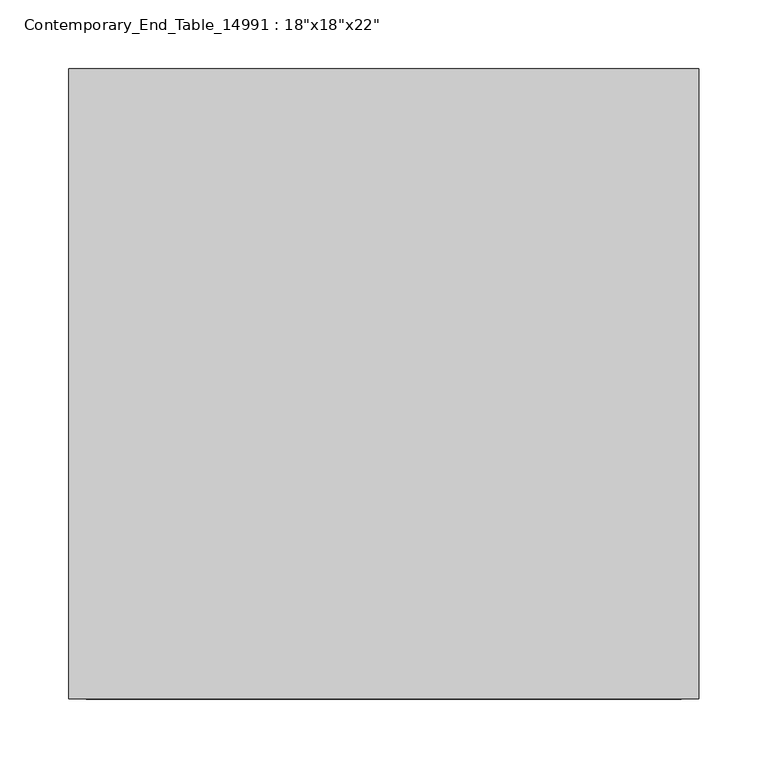
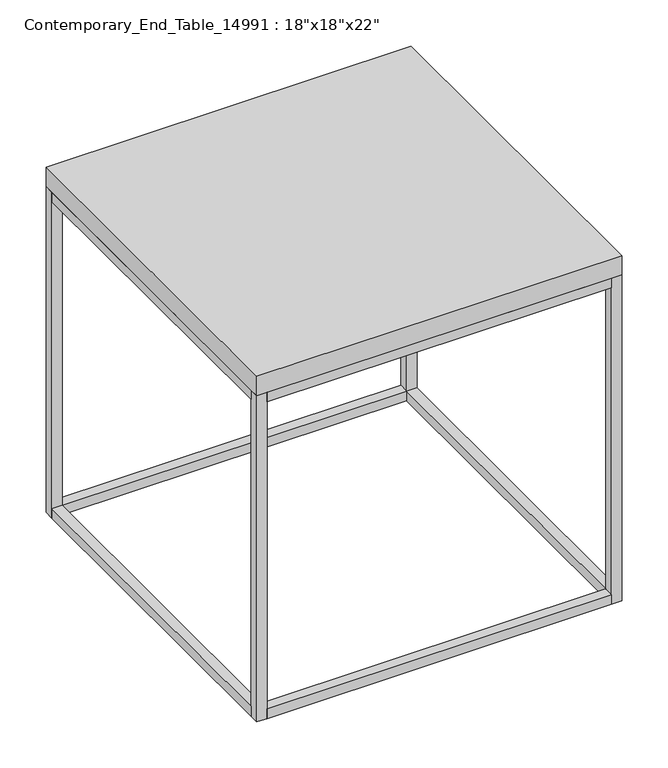
"""IFC4 building model written with IfcOpenShell, lengths in millimetres: furniture geometry."""

from ifc_helpers import new_model, si_unit, frame, origin, origin_with_axes, place, context, project, spatial, polyline, outline, extrude, source, transform, mapped, element, save


def furniture_a057919f(model_context):
    return source(origin(), model_context, "Body", "SweptSolid", [
        extrude(outline(polyline([(-215.9, 215.9), (-215.9, -215.9), (-228.6, -215.9), (-228.6, 215.9), (-215.9, 215.9)])), origin_with_axes(), (0.0, 0.0, 1.0), 12.7),
        extrude(outline(polyline([(215.9, 215.9), (228.6, 215.9), (228.6, -215.9), (215.9, -215.9), (215.9, 215.9)])), origin_with_axes(), (0.0, 0.0, 1.0), 12.7),
        extrude(outline(polyline([(215.9, 228.6), (215.9, 215.9), (-215.9, 215.9), (-215.9, 228.6), (215.9, 228.6)])), origin_with_axes(), (0.0, 0.0, 1.0), 12.7),
        extrude(outline(polyline([(215.9, -215.9), (215.9, -228.6), (-215.9, -228.6), (-215.9, -215.9), (215.9, -215.9)])), origin_with_axes(), (0.0, 0.0, 1.0), 12.7),
        extrude(outline(polyline([(228.6, 228.6), (228.6, -228.6), (-228.6, -228.6), (-228.6, 228.6), (228.6, 228.6)])), frame((0.0, 0.0, 431.8), z_axis=(0.0, 0.0, 1.0), x_axis=(1.0, 0.0, 0.0)), (0.0, 0.0, 1.0), 25.4),
        extrude(outline(polyline([(-215.9, 215.9), (-215.9, -215.9), (-228.6, -215.9), (-228.6, 215.9), (-215.9, 215.9)])), frame((0.0, 0.0, 419.1), z_axis=(0.0, 0.0, 1.0), x_axis=(1.0, 0.0, 0.0)), (0.0, 0.0, 1.0), 12.7),
        extrude(outline(polyline([(215.9, 215.9), (228.6, 215.9), (228.6, -215.9), (215.9, -215.9), (215.9, 215.9)])), frame((0.0, 0.0, 419.1), z_axis=(0.0, 0.0, 1.0), x_axis=(1.0, 0.0, 0.0)), (0.0, 0.0, 1.0), 12.7),
        extrude(outline(polyline([(215.9, 228.6), (215.9, 215.9), (-215.9, 215.9), (-215.9, 228.6), (215.9, 228.6)])), frame((0.0, 0.0, 419.1), z_axis=(0.0, 0.0, 1.0), x_axis=(1.0, 0.0, 0.0)), (0.0, 0.0, 1.0), 12.7),
        extrude(outline(polyline([(215.9, -215.9), (215.9, -228.6), (-215.9, -228.6), (-215.9, -215.9), (215.9, -215.9)])), frame((0.0, 0.0, 419.1), z_axis=(0.0, 0.0, 1.0), x_axis=(1.0, 0.0, 0.0)), (0.0, 0.0, 1.0), 12.7),
        extrude(outline(polyline([(-215.9, 228.6), (-215.9, 215.9), (-228.6, 215.9), (-228.6, 228.6), (-215.9, 228.6)])), origin_with_axes(), (0.0, 0.0, 1.0), 431.8),
        extrude(outline(polyline([(228.6, 228.6), (228.6, 215.9), (215.9, 215.9), (215.9, 228.6), (228.6, 228.6)])), origin_with_axes(), (0.0, 0.0, 1.0), 431.8),
        extrude(outline(polyline([(-215.9, -215.9), (-215.9, -228.6), (-228.6, -228.6), (-228.6, -215.9), (-215.9, -215.9)])), origin_with_axes(), (0.0, 0.0, 1.0), 431.8),
        extrude(outline(polyline([(228.6, -228.6), (215.9, -228.6), (215.9, -215.9), (228.6, -215.9), (228.6, -228.6)])), origin_with_axes(), (0.0, 0.0, 1.0), 431.8),
    ])


if __name__ == "__main__":
    model = new_model("IFC4")
    model_context = context("Model", 3, world=origin())
    ifc_project = project(units=[si_unit("LENGTHUNIT", "METRE", prefix="MILLI")], contexts=[model_context])
    site = spatial("IfcSite", under=ifc_project)
    building = spatial("IfcBuilding", under=site)
    placement = place(None, origin())
    furniture_shape = furniture_a057919f(model_context)
    element("IfcFurniture", 1, ObjectType="Contemporary_End_Table_14991 : 18\"x18\"x22\"", at=placement, inside=building, context=model_context, shape_type="MappedRepresentation", body=[
        mapped(furniture_shape, transform((0.0, 0.0, 0.0), x_axis=(1.0, 0.0, 0.0), y_axis=(0.0, 1.0, 0.0), z_axis=(0.0, 0.0, 1.0))),
    ])
    save(model, "model.ifc")
